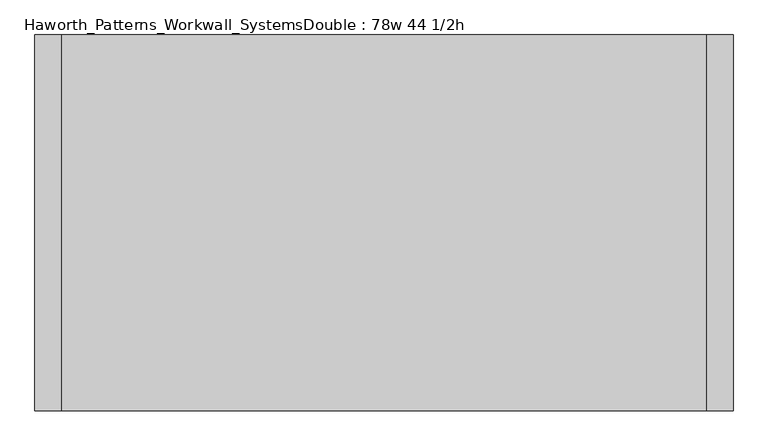
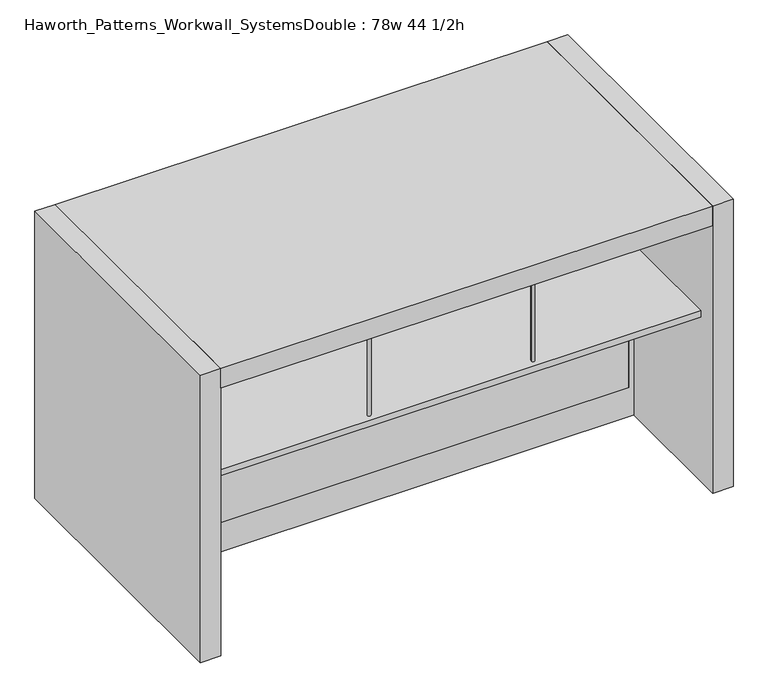
"""IFC4 building model written with IfcOpenShell, lengths in millimetres: furniture geometry, Haworth_Patterns_Workwall_SystemsDouble : 78w 44 1/2h."""

from ifc_helpers import new_model, si_unit, point, frame, frame_2d, origin, origin_with_axes, place, context, project, spatial, polyline, circle_curve, trimmed, segment, composite_curve, outline, extrude, source, transform, mapped, element, save


def haworth_patterns_workwall_systemsdouble_78w_44_1_2h_433733f3(model_context):
    return source(origin(), model_context, "Body", "SweptSolid", [
        extrude(outline(composite_curve([segment(trimmed(circle_curve(frame_2d((-914.4, 787.4)), 6.35), [point((-908.05, 787.4))], [point((-920.75, 787.4))], False, "CARTESIAN"), True, "CONTINUOUS"), segment(trimmed(circle_curve(frame_2d((-914.4, 787.4)), 6.35), [point((-920.75, 787.4))], [point((-908.05, 787.4))], False, "CARTESIAN"), True, "CONTINUOUS")], self_intersect=False)), frame((0.0, 0.0, 673.1), z_axis=(0.0, 0.0, 1.0), x_axis=(1.0, 0.0, 0.0)), (0.0, 0.0, 1.0), 381.0),
        extrude(outline(composite_curve([segment(trimmed(circle_curve(frame_2d((-914.4, 406.4)), 6.35), [point((-908.05, 406.4))], [point((-920.75, 406.4))], False, "CARTESIAN"), True, "CONTINUOUS"), segment(trimmed(circle_curve(frame_2d((-914.4, 406.4)), 6.35), [point((-920.75, 406.4))], [point((-908.05, 406.4))], False, "CARTESIAN"), True, "CONTINUOUS")], self_intersect=False)), frame((0.0, 0.0, 673.1), z_axis=(0.0, 0.0, 1.0), x_axis=(1.0, 0.0, 0.0)), (0.0, 0.0, 1.0), 381.0),
        extrude(outline(composite_curve([segment(trimmed(circle_curve(frame_2d((-304.8, 787.4)), 6.35), [point((-298.45, 787.4))], [point((-311.15, 787.4))], False, "CARTESIAN"), True, "CONTINUOUS"), segment(trimmed(circle_curve(frame_2d((-304.8, 787.4)), 6.35), [point((-311.15, 787.4))], [point((-298.45, 787.4))], False, "CARTESIAN"), True, "CONTINUOUS")], self_intersect=False)), frame((0.0, 0.0, 673.1), z_axis=(0.0, 0.0, 1.0), x_axis=(1.0, 0.0, 0.0)), (0.0, 0.0, 1.0), 381.0),
        extrude(outline(composite_curve([segment(trimmed(circle_curve(frame_2d((-304.8, 406.4)), 6.35), [point((-298.45, 406.4))], [point((-311.15, 406.4))], False, "CARTESIAN"), True, "CONTINUOUS"), segment(trimmed(circle_curve(frame_2d((-304.8, 406.4)), 6.35), [point((-311.15, 406.4))], [point((-298.45, 406.4))], False, "CARTESIAN"), True, "CONTINUOUS")], self_intersect=False)), frame((0.0, 0.0, 673.1), z_axis=(0.0, 0.0, 1.0), x_axis=(1.0, 0.0, 0.0)), (0.0, 0.0, 1.0), 381.0),
        extrude(outline(polyline([(-1524.0, 381.0), (-1524.0, 812.8), (304.8, 812.8), (304.8, 381.0), (-1524.0, 381.0)])), frame((0.0, 0.0, 647.7), z_axis=(0.0, 0.0, 1.0), x_axis=(1.0, 0.0, 0.0)), (0.0, 0.0, 1.0), 25.4),
        extrude(outline(polyline([(-609.6, 333.375), (-1524.0, 333.375), (-1524.0, 352.425), (-609.6, 352.425), (-609.6, 333.375)])), frame((0.0, 0.0, 635.0), z_axis=(0.0, 0.0, 1.0), x_axis=(1.0, 0.0, 0.0)), (0.0, 0.0, 1.0), 419.1),
        extrude(outline(polyline([(304.8, 333.375), (-609.6, 333.375), (-609.6, 352.425), (304.8, 352.425), (304.8, 333.375)])), frame((0.0, 0.0, 635.0), z_axis=(0.0, 0.0, 1.0), x_axis=(1.0, 0.0, 0.0)), (0.0, 0.0, 1.0), 419.1),
        extrude(outline(composite_curve([segment(trimmed(circle_curve(frame_2d((-304.8, -76.2)), 6.35), [point((-311.15, -76.2))], [point((-298.45, -76.2))], False, "CARTESIAN"), True, "CONTINUOUS"), segment(trimmed(circle_curve(frame_2d((-304.8, -76.2)), 6.35), [point((-298.45, -76.2))], [point((-311.15, -76.2))], False, "CARTESIAN"), True, "CONTINUOUS")], self_intersect=False)), frame((0.0, 0.0, 673.1), z_axis=(0.0, 0.0, 1.0), x_axis=(1.0, 0.0, 0.0)), (0.0, 0.0, 1.0), 381.0),
        extrude(outline(composite_curve([segment(trimmed(circle_curve(frame_2d((-304.8, 304.8)), 6.35), [point((-311.15, 304.8))], [point((-298.45, 304.8))], False, "CARTESIAN"), True, "CONTINUOUS"), segment(trimmed(circle_curve(frame_2d((-304.8, 304.8)), 6.35), [point((-298.45, 304.8))], [point((-311.15, 304.8))], False, "CARTESIAN"), True, "CONTINUOUS")], self_intersect=False)), frame((0.0, 0.0, 673.1), z_axis=(0.0, 0.0, 1.0), x_axis=(1.0, 0.0, 0.0)), (0.0, 0.0, 1.0), 381.0),
        extrude(outline(composite_curve([segment(trimmed(circle_curve(frame_2d((-914.4, -76.2)), 6.35), [point((-920.75, -76.2))], [point((-908.05, -76.2))], False, "CARTESIAN"), True, "CONTINUOUS"), segment(trimmed(circle_curve(frame_2d((-914.4, -76.2)), 6.35), [point((-908.05, -76.2))], [point((-920.75, -76.2))], False, "CARTESIAN"), True, "CONTINUOUS")], self_intersect=False)), frame((0.0, 0.0, 673.1), z_axis=(0.0, 0.0, 1.0), x_axis=(1.0, 0.0, 0.0)), (0.0, 0.0, 1.0), 381.0),
        extrude(outline(composite_curve([segment(trimmed(circle_curve(frame_2d((-914.4, 304.8)), 6.35), [point((-920.75, 304.8))], [point((-908.05, 304.8))], False, "CARTESIAN"), True, "CONTINUOUS"), segment(trimmed(circle_curve(frame_2d((-914.4, 304.8)), 6.35), [point((-908.05, 304.8))], [point((-920.75, 304.8))], False, "CARTESIAN"), True, "CONTINUOUS")], self_intersect=False)), frame((0.0, 0.0, 673.1), z_axis=(0.0, 0.0, 1.0), x_axis=(1.0, 0.0, 0.0)), (0.0, 0.0, 1.0), 381.0),
        extrude(outline(polyline([(304.8, 330.2), (304.8, -101.6), (-1524.0, -101.6), (-1524.0, 330.2), (304.8, 330.2)])), frame((0.0, 0.0, 647.7), z_axis=(0.0, 0.0, 1.0), x_axis=(1.0, 0.0, 0.0)), (0.0, 0.0, 1.0), 25.4),
        extrude(outline(polyline([(1054.1, 304.8), (1054.1, -1524.0), (635.0, -1524.0), (635.0, 304.8), (1054.1, 304.8)]), holes=[polyline([(1035.05, 285.75), (654.05, 285.75), (654.05, -1504.95), (1035.05, -1504.95), (1035.05, 285.75)])]), frame((0.0, 330.2, 0.0), z_axis=(0.0, 1.0, 0.0), x_axis=(0.0, 0.0, 1.0)), (0.0, 0.0, 1.0), 25.4),
        extrude(outline(polyline([(285.75, 330.2), (-1504.95, 330.2), (-1504.95, 355.6), (285.75, 355.6), (285.75, 330.2)])), frame((0.0, 0.0, 114.3), z_axis=(0.0, 0.0, 1.0), x_axis=(1.0, 0.0, 0.0)), (0.0, 0.0, 1.0), 495.3),
        extrude(outline(polyline([(635.0, 304.8), (635.0, -1524.0), (0.0, -1524.0), (0.0, 304.8), (635.0, 304.8)]), holes=[polyline([(609.6, 285.75), (114.3, 285.75), (114.3, -1504.95), (609.6, -1504.95), (609.6, 285.75)])]), frame((0.0, 330.2, 0.0), z_axis=(0.0, 1.0, 0.0), x_axis=(0.0, 0.0, 1.0)), (0.0, 0.0, 1.0), 25.4),
        extrude(outline(polyline([(304.8, -177.8), (-1524.0, -177.8), (-1524.0, 889.0), (304.8, 889.0), (304.8, -177.8)])), frame((0.0, 0.0, 1054.1), z_axis=(0.0, 0.0, 1.0), x_axis=(1.0, 0.0, 0.0)), (0.0, 0.0, 1.0), 76.2),
        extrude(outline(polyline([(381.0, 889.0), (381.0, -177.8), (304.8, -177.8), (304.8, 889.0), (381.0, 889.0)])), origin_with_axes(), (0.0, 0.0, 1.0), 1130.3),
        extrude(outline(polyline([(-1524.0, 889.0), (-1524.0, -177.8), (-1600.2, -177.8), (-1600.2, 889.0), (-1524.0, 889.0)])), origin_with_axes(), (0.0, 0.0, 1.0), 1130.3),
    ])


if __name__ == "__main__":
    model = new_model("IFC4")
    model_context = context("Model", 3, world=origin())
    ifc_project = project(units=[si_unit("LENGTHUNIT", "METRE", prefix="MILLI")], contexts=[model_context])
    site = spatial("IfcSite", under=ifc_project)
    building = spatial("IfcBuilding", under=site)
    placement = place(None, origin())
    haworth_patterns_workwall_systemsdouble_78w_44_1_2h_shape = haworth_patterns_workwall_systemsdouble_78w_44_1_2h_433733f3(model_context)
    element("IfcFurniture", 1, ObjectType="Haworth_Patterns_Workwall_SystemsDouble : 78w 44 1/2h", at=placement, inside=building, context=model_context, shape_type="MappedRepresentation", body=[
        mapped(haworth_patterns_workwall_systemsdouble_78w_44_1_2h_shape, transform((0.0, 0.0, 0.0), x_axis=(1.0, 0.0, 0.0), y_axis=(0.0, 1.0, 0.0), z_axis=(0.0, 0.0, 1.0))),
    ])
    save(model, "model.ifc")
